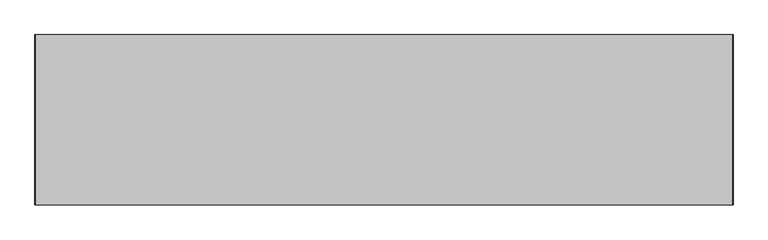
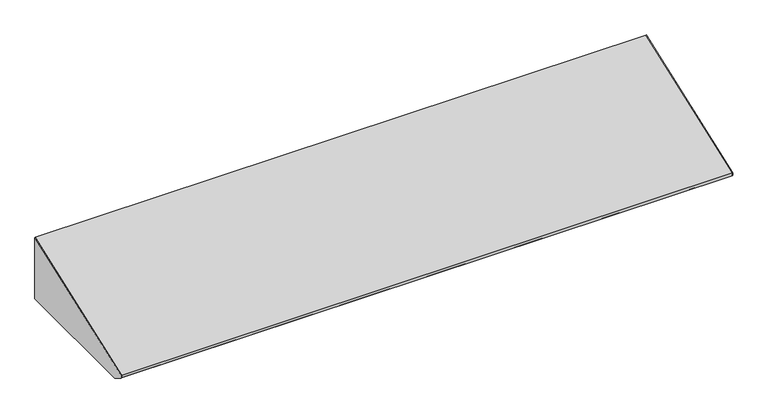
"""IFC4 building model written with IfcOpenShell, lengths in millimetres: furniture geometry."""

from ifc_helpers import new_model, si_unit, frame, origin, place, context, project, spatial, polyline, outline, extrude, source, transform, mapped, element, save


def furniture_102caf7f(model_context):
    return source(origin(), model_context, "Body", "SweptSolid", [
        extrude(outline(polyline([(-21.75256, 2250.4295551), (-21.75256, 2121.03462), (-297.3953187, 2121.03462), (-319.23736, 2134.8657616), (-319.23736, 2140.9880122), (-21.75256, 2250.4295551)])), frame((627.5439549, 0.0, 0.0), z_axis=(1.0, 0.0, 0.0), x_axis=(0.0, 1.0, 0.0)), (0.0, 0.0, 1.0), 0.79375),
        extrude(outline(polyline([(-21.75256, 2121.03462), (-297.3953187, 2121.03462), (-319.23736, 2134.8657616), (-319.23736, 2140.9880122), (-21.75256, 2250.4295551), (-21.75256, 2121.03462)])), frame((-590.8622951, 0.0, 0.0), z_axis=(1.0, 0.0, 0.0), x_axis=(0.0, 1.0, 0.0)), (0.0, 0.0, 1.0), 0.79375),
        extrude(outline(polyline([(609.288502, -284.6953187), (609.288502, -97.8702473), (627.5439549, -97.8702473), (627.5439549, -284.6953187), (609.288502, -284.6953187)])), frame((0.0, 0.0, 2121.03462), z_axis=(0.0, 0.0, 1.0), x_axis=(1.0, 0.0, 0.0)), (0.0, 0.0, 1.0), 0.79375),
        extrude(outline(polyline([(-21.75256, 2121.03462), (-97.5295544, 2121.03462), (-97.5295544, 2121.82837), (-22.54631, 2121.82837), (-22.54631, 2235.9198989), (-21.75256, 2235.9198989), (-21.75256, 2121.03462)])), frame((616.9081836, 0.0, 0.0), z_axis=(1.0, 0.0, 0.0), x_axis=(0.0, 1.0, 0.0)), (0.0, 0.0, 1.0), 10.6357713),
        extrude(outline(polyline([(-21.75256, 2121.03462), (-97.5295544, 2121.03462), (-97.5295544, 2121.82837), (-22.54631, 2121.82837), (-22.54631, 2235.9198989), (-21.75256, 2235.9198989), (-21.75256, 2121.03462)])), frame((-590.0685451, 0.0, 0.0), z_axis=(1.0, 0.0, 0.0), x_axis=(0.0, 1.0, 0.0)), (0.0, 0.0, 1.0), 10.6357713),
        extrude(outline(polyline([(-590.0685451, -284.6953187), (-590.0685451, -97.8702473), (-571.8130922, -97.8702473), (-571.8130922, -284.6953187), (-590.0685451, -284.6953187)])), frame((0.0, 0.0, 2121.03462), z_axis=(0.0, 0.0, 1.0), x_axis=(1.0, 0.0, 0.0)), (0.0, 0.0, 1.0), 0.79375),
        extrude(outline(polyline([(-319.23736, 2140.9880122), (-21.75256, 2250.4295551), (-21.75256, 2235.9198989), (-22.54631, 2235.9198989), (-22.54631, 2249.2933009), (-318.44361, 2140.4335244), (-318.44361, 2135.3026399), (-221.2358067, 2121.82837), (-284.6953187, 2121.82837), (-284.6953187, 2121.03462), (-297.3953187, 2121.03462), (-319.23736, 2134.8657616), (-319.23736, 2140.9880122)])), frame((-590.0685451, 0.0, 0.0), z_axis=(1.0, 0.0, 0.0), x_axis=(0.0, 1.0, 0.0)), (0.0, 0.0, 1.0), 1217.6125),
    ])


if __name__ == "__main__":
    model = new_model("IFC4")
    model_context = context("Model", 3, world=origin())
    ifc_project = project(units=[si_unit("LENGTHUNIT", "METRE", prefix="MILLI")], contexts=[model_context])
    site = spatial("IfcSite", under=ifc_project)
    building = spatial("IfcBuilding", under=site)
    placement = place(None, origin())
    furniture_shape = furniture_102caf7f(model_context)
    element("IfcFurniture", 1, at=placement, inside=building, context=model_context, shape_type="MappedRepresentation", body=[
        mapped(furniture_shape, transform((0.0, 0.0, 0.0), x_axis=(1.0, 0.0, 0.0), y_axis=(0.0, 1.0, 0.0), z_axis=(0.0, 0.0, 1.0))),
    ])
    save(model, "model.ifc")
